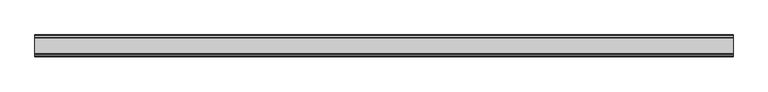
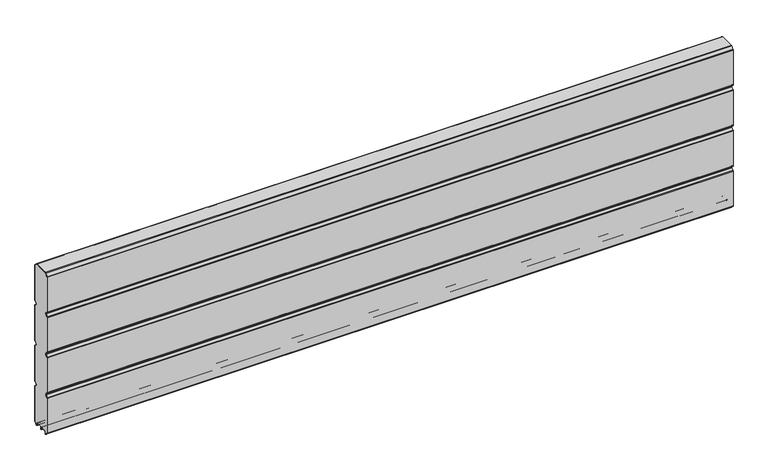
"""IFC4 building model written with IfcOpenShell, lengths in millimetres: plate geometry."""

from ifc_helpers import new_model, si_unit, point, frame, frame_2d, origin, place, context, project, spatial, polyline, circle_curve, trimmed, segment, composite_curve, outline, extrude, source, transform, mapped, element, save


def plate_5abdafe4(model_context):
    return source(origin(), model_context, "Body", "SweptSolid", [
        extrude(outline(composite_curve([segment(polyline([(-29.2650466, 451.7624879), (-35.7138292, 458.2112702)]), True, "CONTINUOUS"), segment(trimmed(circle_curve(frame_2d((-34.2991913, 459.6259081)), 2.0006001), [point((-35.7138292, 458.2112702))], [point((-36.2997914, 459.6259081))], False, "CARTESIAN"), True, "CONTINUOUS"), segment(polyline([(-36.2997914, 459.6259081), (-36.2997914, 588.874925)]), True, "CONTINUOUS"), segment(trimmed(circle_curve(frame_2d((-34.3025404, 588.8763112)), 1.9972515), [point((-36.2997914, 588.874925))], [point((-35.7145328, 590.2888589))], False, "CARTESIAN"), True, "CONTINUOUS"), segment(polyline([(-35.7145328, 590.2888589), (-27.7860861, 598.2141893)]), True, "CONTINUOUS"), segment(trimmed(circle_curve(frame_2d((-26.3717262, 596.7992733)), 2.0006002), [point((-27.7860861, 598.2141893))], [point((-26.3717262, 598.7998734))], False, "CARTESIAN"), True, "CONTINUOUS"), segment(polyline([(-26.3717262, 598.7998734), (26.3717262, 598.7998734)]), True, "CONTINUOUS"), segment(trimmed(circle_curve(frame_2d((26.3717262, 596.7992733)), 2.0006002), [point((26.3717262, 598.7998734))], [point((27.7860861, 598.2141893))], False, "CARTESIAN"), True, "CONTINUOUS"), segment(polyline([(27.7860861, 598.2141893), (35.7145328, 590.2888589)]), True, "CONTINUOUS"), segment(trimmed(circle_curve(frame_2d((34.3025404, 588.8763112)), 1.9972515), [point((35.7145328, 590.2888589))], [point((36.2997914, 588.874925))], False, "CARTESIAN"), True, "CONTINUOUS"), segment(polyline([(36.2997914, 588.874925), (36.2997914, 459.6259081)]), True, "CONTINUOUS"), segment(trimmed(circle_curve(frame_2d((34.2991913, 459.6259081)), 2.0006001), [point((36.2997914, 459.6259081))], [point((35.7138292, 458.2112702))], False, "CARTESIAN"), True, "CONTINUOUS"), segment(polyline([(35.7138292, 458.2112702), (29.2650466, 451.7624879)]), True, "CONTINUOUS"), segment(trimmed(circle_curve(frame_2d((31.5325895, 449.4949449)), 3.20679), [point((29.2650466, 451.7624879))], [point((29.114664, 447.3884934))], True, "CARTESIAN"), True, "CONTINUOUS"), segment(polyline([(29.114664, 447.3884934), (35.7138291, 440.7893285)]), True, "CONTINUOUS"), segment(trimmed(circle_curve(frame_2d((34.2991912, 439.3746906)), 2.0006001), [point((35.7138291, 440.7893285))], [point((36.2997913, 439.3746906))], False, "CARTESIAN"), True, "CONTINUOUS"), segment(polyline([(36.2997913, 439.3746906), (36.2997913, 309.6259081)]), True, "CONTINUOUS"), segment(trimmed(circle_curve(frame_2d((34.2991912, 309.6259081)), 2.0006001), [point((36.2997913, 309.6259081))], [point((35.7138291, 308.2112702))], False, "CARTESIAN"), True, "CONTINUOUS"), segment(polyline([(35.7138291, 308.2112702), (29.2650466, 301.7624879)]), True, "CONTINUOUS"), segment(trimmed(circle_curve(frame_2d((31.5325895, 299.4949449)), 3.20679), [point((29.2650466, 301.7624879))], [point((29.4261379, 297.0770195))], True, "CARTESIAN"), True, "CONTINUOUS"), segment(polyline([(29.4261379, 297.0770195), (35.7138291, 290.7893285)]), True, "CONTINUOUS"), segment(trimmed(circle_curve(frame_2d((34.2991912, 289.3746906)), 2.0006001), [point((35.7138291, 290.7893285))], [point((36.2997913, 289.3746906))], False, "CARTESIAN"), True, "CONTINUOUS"), segment(polyline([(36.2997913, 289.3746906), (36.2997913, 159.6246474)]), True, "CONTINUOUS"), segment(trimmed(circle_curve(frame_2d((34.2991912, 159.6246474)), 2.0006001), [point((36.2997913, 159.6246474))], [point((35.7138291, 158.2100095))], False, "CARTESIAN"), True, "CONTINUOUS"), segment(polyline([(35.7138291, 158.2100095), (29.2650466, 151.7612271)]), True, "CONTINUOUS"), segment(trimmed(circle_curve(frame_2d((31.5325895, 149.4936842)), 3.20679), [point((29.2650466, 151.7612271))], [point((29.114664, 147.3872326))], True, "CARTESIAN"), True, "CONTINUOUS"), segment(polyline([(29.114664, 147.3872326), (35.7138292, 140.7880678)]), True, "CONTINUOUS"), segment(trimmed(circle_curve(frame_2d((34.2991912, 139.3734299)), 2.0006001), [point((35.7138292, 140.7880678))], [point((36.2997914, 139.3734299))], False, "CARTESIAN"), True, "CONTINUOUS"), segment(polyline([(36.2997914, 139.3734299), (36.2997914, 10.1250796)]), True, "CONTINUOUS"), segment(trimmed(circle_curve(frame_2d((34.299192, 10.1250796)), 2.0005994), [point((36.2997914, 10.1250796))], [point((35.7138294, 8.7104422))], False, "CARTESIAN"), True, "CONTINUOUS"), segment(polyline([(35.7138294, 8.7104422), (28.7893255, 1.7859383)]), True, "CONTINUOUS"), segment(trimmed(circle_curve(frame_2d((27.3158157, 3.2594482)), 2.0838576), [point((28.7893255, 1.7859383))], [point((25.2327947, 3.2004014))], False, "CARTESIAN"), True, "CONTINUOUS"), segment(polyline([(25.2327947, 3.2004014), (25.2327947, 7.9999453)]), True, "CONTINUOUS"), segment(trimmed(circle_curve(frame_2d((22.0323933, 7.9999453)), 3.2004014), [point((25.2327947, 7.9999453))], [point((22.0323933, 11.2003467))], True, "CARTESIAN"), True, "CONTINUOUS"), segment(polyline([(22.0323933, 11.2003467), (3.1993432, 11.2003467)]), True, "CONTINUOUS"), segment(trimmed(circle_curve(frame_2d((3.1993432, 8.0010035)), 3.1993432), [point((3.1993432, 11.2003467))], [point((0.0, 8.0010035))], True, "CARTESIAN"), True, "CONTINUOUS"), segment(trimmed(circle_curve(frame_2d((-3.1993432, 8.0010035)), 3.1993432), [point((0.0, 8.0010035))], [point((-3.1993432, 11.2003467))], True, "CARTESIAN"), True, "CONTINUOUS"), segment(polyline([(-3.1993432, 11.2003467), (-22.0323933, 11.2003467)]), True, "CONTINUOUS"), segment(trimmed(circle_curve(frame_2d((-22.0323933, 7.9999453)), 3.2004014), [point((-22.0323933, 11.2003467))], [point((-25.2327947, 7.9999453))], True, "CARTESIAN"), True, "CONTINUOUS"), segment(polyline([(-25.2327947, 7.9999453), (-25.2327947, 3.2004014)]), True, "CONTINUOUS"), segment(trimmed(circle_curve(frame_2d((-27.3158157, 3.2594482)), 2.0838576), [point((-25.2327947, 3.2004014))], [point((-28.7893255, 1.7859383))], False, "CARTESIAN"), True, "CONTINUOUS"), segment(polyline([(-28.7893255, 1.7859383), (-35.7138294, 8.7104422)]), True, "CONTINUOUS"), segment(trimmed(circle_curve(frame_2d((-34.299192, 10.1250796)), 2.0005994), [point((-35.7138294, 8.7104422))], [point((-36.2997914, 10.1250796))], False, "CARTESIAN"), True, "CONTINUOUS"), segment(polyline([(-36.2997914, 10.1250796), (-36.2997914, 139.3734299)]), True, "CONTINUOUS"), segment(trimmed(circle_curve(frame_2d((-34.2991912, 139.3734299)), 2.0006001), [point((-36.2997914, 139.3734299))], [point((-35.7138292, 140.7880678))], False, "CARTESIAN"), True, "CONTINUOUS"), segment(polyline([(-35.7138292, 140.7880678), (-29.114664, 147.3872326)]), True, "CONTINUOUS"), segment(trimmed(circle_curve(frame_2d((-31.5325895, 149.4936842)), 3.20679), [point((-29.114664, 147.3872326))], [point((-29.2650466, 151.7612271))], True, "CARTESIAN"), True, "CONTINUOUS"), segment(polyline([(-29.2650466, 151.7612271), (-35.7138291, 158.2100095)]), True, "CONTINUOUS"), segment(trimmed(circle_curve(frame_2d((-34.2991912, 159.6246474)), 2.0006001), [point((-35.7138291, 158.2100095))], [point((-36.2997913, 159.6246474))], False, "CARTESIAN"), True, "CONTINUOUS"), segment(polyline([(-36.2997913, 159.6246474), (-36.2997913, 289.3746906)]), True, "CONTINUOUS"), segment(trimmed(circle_curve(frame_2d((-34.2991912, 289.3746906)), 2.0006001), [point((-36.2997913, 289.3746906))], [point((-35.7138291, 290.7893285))], False, "CARTESIAN"), True, "CONTINUOUS"), segment(polyline([(-35.7138291, 290.7893285), (-29.4261379, 297.0770195)]), True, "CONTINUOUS"), segment(trimmed(circle_curve(frame_2d((-31.5325895, 299.4949449)), 3.20679), [point((-29.4261379, 297.0770195))], [point((-29.2650466, 301.7624879))], True, "CARTESIAN"), True, "CONTINUOUS"), segment(polyline([(-29.2650466, 301.7624879), (-35.7138291, 308.2112702)]), True, "CONTINUOUS"), segment(trimmed(circle_curve(frame_2d((-34.2991912, 309.6259081)), 2.0006001), [point((-35.7138291, 308.2112702))], [point((-36.2997913, 309.6259081))], False, "CARTESIAN"), True, "CONTINUOUS"), segment(polyline([(-36.2997913, 309.6259081), (-36.2997913, 439.3746906)]), True, "CONTINUOUS"), segment(trimmed(circle_curve(frame_2d((-34.2991912, 439.3746906)), 2.0006001), [point((-36.2997913, 439.3746906))], [point((-35.7138291, 440.7893285))], False, "CARTESIAN"), True, "CONTINUOUS"), segment(polyline([(-35.7138291, 440.7893285), (-29.114664, 447.3884934)]), True, "CONTINUOUS"), segment(trimmed(circle_curve(frame_2d((-31.5325895, 449.4949449)), 3.20679), [point((-29.114664, 447.3884934))], [point((-29.2650466, 451.7624879))], True, "CARTESIAN"), True, "CONTINUOUS")], self_intersect=False)), frame((-1204.8858409, 0.0, 0.0), z_axis=(1.0, 0.0, 0.0), x_axis=(0.0, 1.0, 0.0)), (0.0, 0.0, 1.0), 2409.7716819),
        extrude(outline(composite_curve([segment(trimmed(circle_curve(frame_2d((-34.299418, 588.8742584)), 3.200524), [point((-37.499942, 588.8742584))], [point((-36.5622582, 591.1376426))], False, "CARTESIAN"), True, "CONTINUOUS"), segment(polyline([(-36.5622582, 591.1376426), (-28.6355395, 599.0624563)]), True, "CONTINUOUS"), segment(trimmed(circle_curve(frame_2d((-26.3720296, 596.7984023)), 3.2014711), [point((-28.6355395, 599.0624563))], [point((-26.3720296, 599.9998734))], False, "CARTESIAN"), True, "CONTINUOUS"), segment(polyline([(-26.3720296, 599.9998734), (26.3720296, 599.9998734)]), True, "CONTINUOUS"), segment(trimmed(circle_curve(frame_2d((26.3720296, 596.7984023)), 3.2014711), [point((26.3720296, 599.9998734))], [point((28.6355395, 599.0624563))], False, "CARTESIAN"), True, "CONTINUOUS"), segment(polyline([(28.6355395, 599.0624563), (36.5622582, 591.1376426)]), True, "CONTINUOUS"), segment(trimmed(circle_curve(frame_2d((34.299418, 588.8742584)), 3.200524), [point((36.5622582, 591.1376426))], [point((37.499942, 588.8742584))], False, "CARTESIAN"), True, "CONTINUOUS"), segment(polyline([(37.499942, 588.8742584), (37.499942, 459.6259081)]), True, "CONTINUOUS"), segment(trimmed(circle_curve(frame_2d((34.3010265, 459.6259081)), 3.1989155), [point((37.499942, 459.6259081))], [point((36.5630013, 457.3639333))], False, "CARTESIAN"), True, "CONTINUOUS"), segment(polyline([(36.5630013, 457.3639333), (30.1138303, 450.9147625)]), True, "CONTINUOUS"), segment(trimmed(circle_curve(frame_2d((31.5282934, 449.5002993)), 2.000353), [point((30.1138303, 450.9147625))], [point((30.1138303, 448.0858362))], True, "CARTESIAN"), True, "CONTINUOUS"), segment(polyline([(30.1138303, 448.0858362), (36.5630013, 441.6366654)]), True, "CONTINUOUS"), segment(trimmed(circle_curve(frame_2d((34.3010265, 439.3746906)), 3.1989154), [point((36.5630013, 441.6366654))], [point((37.4999419, 439.3746906))], False, "CARTESIAN"), True, "CONTINUOUS"), segment(polyline([(37.4999419, 439.3746906), (37.4999419, 309.6259081)]), True, "CONTINUOUS"), segment(trimmed(circle_curve(frame_2d((34.3010265, 309.6259081)), 3.1989154), [point((37.4999419, 309.6259081))], [point((36.5630013, 307.3639333))], False, "CARTESIAN"), True, "CONTINUOUS"), segment(polyline([(36.5630013, 307.3639333), (30.1138303, 300.9147625)]), True, "CONTINUOUS"), segment(trimmed(circle_curve(frame_2d((31.5282934, 299.5002993)), 2.000353), [point((30.1138303, 300.9147625))], [point((30.1138303, 298.0858362))], True, "CARTESIAN"), True, "CONTINUOUS"), segment(polyline([(30.1138303, 298.0858362), (36.5630013, 291.6366654)]), True, "CONTINUOUS"), segment(trimmed(circle_curve(frame_2d((34.3010265, 289.3746906)), 3.1989154), [point((36.5630013, 291.6366654))], [point((37.4999419, 289.3746906))], False, "CARTESIAN"), True, "CONTINUOUS"), segment(polyline([(37.4999419, 289.3746906), (37.4999419, 159.6246474)]), True, "CONTINUOUS"), segment(trimmed(circle_curve(frame_2d((34.3010265, 159.6246474)), 3.1989154), [point((37.4999419, 159.6246474))], [point((36.5630013, 157.3626726))], False, "CARTESIAN"), True, "CONTINUOUS"), segment(polyline([(36.5630013, 157.3626726), (30.1138303, 150.9135018)]), True, "CONTINUOUS"), segment(trimmed(circle_curve(frame_2d((31.5282934, 149.4990386)), 2.000353), [point((30.1138303, 150.9135018))], [point((30.1138303, 148.0845755))], True, "CARTESIAN"), True, "CONTINUOUS"), segment(polyline([(30.1138303, 148.0845755), (36.5630013, 141.6354046)]), True, "CONTINUOUS"), segment(trimmed(circle_curve(frame_2d((34.3010265, 139.3734298)), 3.1989154), [point((36.5630013, 141.6354046))], [point((37.4999419, 139.3734298))], False, "CARTESIAN"), True, "CONTINUOUS"), segment(polyline([(37.4999419, 139.3734298), (37.4999419, 10.1250796)]), True, "CONTINUOUS"), segment(trimmed(circle_curve(frame_2d((34.3010265, 10.1250796)), 3.1989154), [point((37.4999419, 10.1250796))], [point((36.5630004, 7.8631039))], False, "CARTESIAN"), True, "CONTINUOUS"), segment(polyline([(36.5630004, 7.8631039), (29.6332576, 0.9333666)]), True, "CONTINUOUS"), segment(trimmed(circle_curve(frame_2d((27.311397, 3.255229)), 3.283608), [point((29.6332576, 0.9333666))], [point((24.0283217, 3.1960843))], False, "CARTESIAN"), True, "CONTINUOUS"), segment(polyline([(24.0283217, 3.1960843), (24.0326442, 7.9999453)]), True, "CONTINUOUS"), segment(trimmed(circle_curve(frame_2d((22.0341915, 8.0017435)), 1.9984535), [point((24.0326442, 7.9999453))], [point((22.0323933, 10.0001962))], True, "CARTESIAN"), True, "CONTINUOUS"), segment(polyline([(22.0323933, 10.0001962), (3.1993432, 10.0001962)]), True, "CONTINUOUS"), segment(trimmed(circle_curve(frame_2d((3.1993432, 8.0010035)), 1.9991927), [point((3.1993432, 10.0001962))], [point((1.2001505, 8.0010035))], True, "CARTESIAN"), True, "CONTINUOUS"), segment(polyline([(1.2001505, 8.0010035), (1.2001504, 0.0), (0.0, 0.0), (-1.2001504, 0.0), (-1.2001504, 8.0010034)]), True, "CONTINUOUS"), segment(trimmed(circle_curve(frame_2d((-3.1993432, 8.0010035)), 1.9991928), [point((-1.2001504, 8.0010034))], [point((-3.1993432, 10.0001963))], True, "CARTESIAN"), True, "CONTINUOUS"), segment(polyline([(-3.1993432, 10.0001963), (-22.0323933, 10.0001962)]), True, "CONTINUOUS"), segment(trimmed(circle_curve(frame_2d((-22.0341915, 8.0017435)), 1.9984535), [point((-22.0323933, 10.0001962))], [point((-24.0326442, 7.9999453))], True, "CARTESIAN"), True, "CONTINUOUS"), segment(polyline([(-24.0326442, 7.9999453), (-24.0283217, 3.1960843)]), True, "CONTINUOUS"), segment(trimmed(circle_curve(frame_2d((-27.311397, 3.255229)), 3.283608), [point((-24.0283217, 3.1960843))], [point((-29.6332576, 0.9333666))], False, "CARTESIAN"), True, "CONTINUOUS"), segment(polyline([(-29.6332576, 0.9333666), (-36.5630004, 7.8631039)]), True, "CONTINUOUS"), segment(trimmed(circle_curve(frame_2d((-34.3010265, 10.1250796)), 3.1989154), [point((-36.5630004, 7.8631039))], [point((-37.4999419, 10.1250796))], False, "CARTESIAN"), True, "CONTINUOUS"), segment(polyline([(-37.4999419, 10.1250796), (-37.4999419, 139.3734298)]), True, "CONTINUOUS"), segment(trimmed(circle_curve(frame_2d((-34.3010265, 139.3734298)), 3.1989154), [point((-37.4999419, 139.3734298))], [point((-36.5630013, 141.6354046))], False, "CARTESIAN"), True, "CONTINUOUS"), segment(polyline([(-36.5630013, 141.6354046), (-30.1138303, 148.0845755)]), True, "CONTINUOUS"), segment(trimmed(circle_curve(frame_2d((-31.5282934, 149.4990386)), 2.000353), [point((-30.1138303, 148.0845755))], [point((-30.1138303, 150.9135018))], True, "CARTESIAN"), True, "CONTINUOUS"), segment(polyline([(-30.1138303, 150.9135018), (-36.5630013, 157.3626726)]), True, "CONTINUOUS"), segment(trimmed(circle_curve(frame_2d((-34.3010265, 159.6246474)), 3.1989154), [point((-36.5630013, 157.3626726))], [point((-37.4999419, 159.6246474))], False, "CARTESIAN"), True, "CONTINUOUS"), segment(polyline([(-37.4999419, 159.6246474), (-37.4999419, 289.3746906)]), True, "CONTINUOUS"), segment(trimmed(circle_curve(frame_2d((-34.3010265, 289.3746906)), 3.1989154), [point((-37.4999419, 289.3746906))], [point((-36.5630013, 291.6366653))], False, "CARTESIAN"), True, "CONTINUOUS"), segment(polyline([(-36.5630013, 291.6366653), (-30.1138303, 298.0858362)]), True, "CONTINUOUS"), segment(trimmed(circle_curve(frame_2d((-31.5282934, 299.5002993)), 2.000353), [point((-30.1138303, 298.0858362))], [point((-30.1138303, 300.9147625))], True, "CARTESIAN"), True, "CONTINUOUS"), segment(polyline([(-30.1138303, 300.9147625), (-36.5630013, 307.3639333)]), True, "CONTINUOUS"), segment(trimmed(circle_curve(frame_2d((-34.3010265, 309.6259081)), 3.1989154), [point((-36.5630013, 307.3639333))], [point((-37.4999419, 309.6259081))], False, "CARTESIAN"), True, "CONTINUOUS"), segment(polyline([(-37.4999419, 309.6259081), (-37.4999419, 439.3746906)]), True, "CONTINUOUS"), segment(trimmed(circle_curve(frame_2d((-34.3010265, 439.3746906)), 3.1989154), [point((-37.4999419, 439.3746906))], [point((-36.5630013, 441.6366653))], False, "CARTESIAN"), True, "CONTINUOUS"), segment(polyline([(-36.5630013, 441.6366653), (-30.1138303, 448.0858362)]), True, "CONTINUOUS"), segment(trimmed(circle_curve(frame_2d((-31.5282934, 449.5002993)), 2.000353), [point((-30.1138303, 448.0858362))], [point((-30.1138303, 450.9147625))], True, "CARTESIAN"), True, "CONTINUOUS"), segment(polyline([(-30.1138303, 450.9147625), (-36.5630013, 457.3639333)]), True, "CONTINUOUS"), segment(trimmed(circle_curve(frame_2d((-34.3010265, 459.6259081)), 3.1989155), [point((-36.5630013, 457.3639333))], [point((-37.499942, 459.6259081))], False, "CARTESIAN"), True, "CONTINUOUS"), segment(polyline([(-37.499942, 459.6259081), (-37.499942, 588.8742584)]), True, "CONTINUOUS")], self_intersect=False), holes=[composite_curve([segment(trimmed(circle_curve(frame_2d((-31.5325895, 449.4949449)), 3.20679), [point((-29.2650466, 451.7624879))], [point((-29.114664, 447.3884934))], False, "CARTESIAN"), True, "CONTINUOUS"), segment(polyline([(-29.114664, 447.3884934), (-35.7138291, 440.7893285)]), True, "CONTINUOUS"), segment(trimmed(circle_curve(frame_2d((-34.2991912, 439.3746906)), 2.0006001), [point((-35.7138291, 440.7893285))], [point((-36.2997913, 439.3746906))], True, "CARTESIAN"), True, "CONTINUOUS"), segment(polyline([(-36.2997913, 439.3746906), (-36.2997913, 309.6259081)]), True, "CONTINUOUS"), segment(trimmed(circle_curve(frame_2d((-34.2991912, 309.6259081)), 2.0006001), [point((-36.2997913, 309.6259081))], [point((-35.7138291, 308.2112702))], True, "CARTESIAN"), True, "CONTINUOUS"), segment(polyline([(-35.7138291, 308.2112702), (-29.2650466, 301.7624879)]), True, "CONTINUOUS"), segment(trimmed(circle_curve(frame_2d((-31.5325895, 299.4949449)), 3.20679), [point((-29.2650466, 301.7624879))], [point((-29.4261379, 297.0770195))], False, "CARTESIAN"), True, "CONTINUOUS"), segment(polyline([(-29.4261379, 297.0770195), (-35.7138291, 290.7893285)]), True, "CONTINUOUS"), segment(trimmed(circle_curve(frame_2d((-34.2991912, 289.3746906)), 2.0006001), [point((-35.7138291, 290.7893285))], [point((-36.2997913, 289.3746906))], True, "CARTESIAN"), True, "CONTINUOUS"), segment(polyline([(-36.2997913, 289.3746906), (-36.2997913, 159.6246474)]), True, "CONTINUOUS"), segment(trimmed(circle_curve(frame_2d((-34.2991912, 159.6246474)), 2.0006001), [point((-36.2997913, 159.6246474))], [point((-35.7138291, 158.2100095))], True, "CARTESIAN"), True, "CONTINUOUS"), segment(polyline([(-35.7138291, 158.2100095), (-29.2650466, 151.7612271)]), True, "CONTINUOUS"), segment(trimmed(circle_curve(frame_2d((-31.5325895, 149.4936842)), 3.20679), [point((-29.2650466, 151.7612271))], [point((-29.114664, 147.3872326))], False, "CARTESIAN"), True, "CONTINUOUS"), segment(polyline([(-29.114664, 147.3872326), (-35.7138292, 140.7880677)]), True, "CONTINUOUS"), segment(trimmed(circle_curve(frame_2d((-34.2991912, 139.3734298)), 2.0006001), [point((-35.7138292, 140.7880677))], [point((-36.2997914, 139.3734298))], True, "CARTESIAN"), True, "CONTINUOUS"), segment(polyline([(-36.2997914, 139.3734298), (-36.2997914, 10.1250796)]), True, "CONTINUOUS"), segment(trimmed(circle_curve(frame_2d((-34.299192, 10.1250796)), 2.0005994), [point((-36.2997914, 10.1250796))], [point((-35.7138294, 8.7104422))], True, "CARTESIAN"), True, "CONTINUOUS"), segment(polyline([(-35.7138294, 8.7104422), (-28.7893255, 1.7859383)]), True, "CONTINUOUS"), segment(trimmed(circle_curve(frame_2d((-27.3158157, 3.2594482)), 2.0838576), [point((-28.7893255, 1.7859383))], [point((-25.2327947, 3.2004014))], True, "CARTESIAN"), True, "CONTINUOUS"), segment(polyline([(-25.2327947, 3.2004014), (-25.2327947, 7.9999453)]), True, "CONTINUOUS"), segment(trimmed(circle_curve(frame_2d((-22.0323933, 7.9999453)), 3.2004014), [point((-25.2327947, 7.9999453))], [point((-22.0323933, 11.2003467))], False, "CARTESIAN"), True, "CONTINUOUS"), segment(polyline([(-22.0323933, 11.2003467), (-3.1993432, 11.2003467)]), True, "CONTINUOUS"), segment(trimmed(circle_curve(frame_2d((-3.1993432, 8.0010035)), 3.1993432), [point((-3.1993432, 11.2003467))], [point((0.0, 8.0010035))], False, "CARTESIAN"), True, "CONTINUOUS"), segment(trimmed(circle_curve(frame_2d((3.1993432, 8.0010035)), 3.1993432), [point((0.0, 8.0010035))], [point((3.1993432, 11.2003467))], False, "CARTESIAN"), True, "CONTINUOUS"), segment(polyline([(3.1993432, 11.2003467), (22.0323933, 11.2003467)]), True, "CONTINUOUS"), segment(trimmed(circle_curve(frame_2d((22.0323933, 7.9999453)), 3.2004014), [point((22.0323933, 11.2003467))], [point((25.2327947, 7.9999453))], False, "CARTESIAN"), True, "CONTINUOUS"), segment(polyline([(25.2327947, 7.9999453), (25.2327947, 3.2004014)]), True, "CONTINUOUS"), segment(trimmed(circle_curve(frame_2d((27.3158157, 3.2594482)), 2.0838576), [point((25.2327947, 3.2004014))], [point((28.7893255, 1.7859383))], True, "CARTESIAN"), True, "CONTINUOUS"), segment(polyline([(28.7893255, 1.7859383), (35.7138294, 8.7104422)]), True, "CONTINUOUS"), segment(trimmed(circle_curve(frame_2d((34.299192, 10.1250796)), 2.0005994), [point((35.7138294, 8.7104422))], [point((36.2997914, 10.1250796))], True, "CARTESIAN"), True, "CONTINUOUS"), segment(polyline([(36.2997914, 10.1250796), (36.2997914, 139.3734298)]), True, "CONTINUOUS"), segment(trimmed(circle_curve(frame_2d((34.2991912, 139.3734298)), 2.0006001), [point((36.2997914, 139.3734298))], [point((35.7138292, 140.7880678))], True, "CARTESIAN"), True, "CONTINUOUS"), segment(polyline([(35.7138292, 140.7880678), (29.114664, 147.3872326)]), True, "CONTINUOUS"), segment(trimmed(circle_curve(frame_2d((31.5325895, 149.4936842)), 3.20679), [point((29.114664, 147.3872326))], [point((29.2650466, 151.7612271))], False, "CARTESIAN"), True, "CONTINUOUS"), segment(polyline([(29.2650466, 151.7612271), (35.7138291, 158.2100095)]), True, "CONTINUOUS"), segment(trimmed(circle_curve(frame_2d((34.2991912, 159.6246474)), 2.0006001), [point((35.7138291, 158.2100095))], [point((36.2997913, 159.6246474))], True, "CARTESIAN"), True, "CONTINUOUS"), segment(polyline([(36.2997913, 159.6246474), (36.2997913, 289.3746906)]), True, "CONTINUOUS"), segment(trimmed(circle_curve(frame_2d((34.2991912, 289.3746906)), 2.0006001), [point((36.2997913, 289.3746906))], [point((35.7138291, 290.7893285))], True, "CARTESIAN"), True, "CONTINUOUS"), segment(polyline([(35.7138291, 290.7893285), (29.4261379, 297.0770195)]), True, "CONTINUOUS"), segment(trimmed(circle_curve(frame_2d((31.5325895, 299.4949449)), 3.20679), [point((29.4261379, 297.0770195))], [point((29.2650466, 301.7624879))], False, "CARTESIAN"), True, "CONTINUOUS"), segment(polyline([(29.2650466, 301.7624879), (35.7138291, 308.2112702)]), True, "CONTINUOUS"), segment(trimmed(circle_curve(frame_2d((34.2991912, 309.6259081)), 2.0006001), [point((35.7138291, 308.2112702))], [point((36.2997913, 309.6259081))], True, "CARTESIAN"), True, "CONTINUOUS"), segment(polyline([(36.2997913, 309.6259081), (36.2997913, 439.3746906)]), True, "CONTINUOUS"), segment(trimmed(circle_curve(frame_2d((34.2991912, 439.3746906)), 2.0006001), [point((36.2997913, 439.3746906))], [point((35.7138291, 440.7893285))], True, "CARTESIAN"), True, "CONTINUOUS"), segment(polyline([(35.7138291, 440.7893285), (29.114664, 447.3884934)]), True, "CONTINUOUS"), segment(trimmed(circle_curve(frame_2d((31.5325895, 449.4949449)), 3.20679), [point((29.114664, 447.3884934))], [point((29.2650466, 451.7624879))], False, "CARTESIAN"), True, "CONTINUOUS"), segment(polyline([(29.2650466, 451.7624879), (35.7138292, 458.2112702)]), True, "CONTINUOUS"), segment(trimmed(circle_curve(frame_2d((34.2991913, 459.6259081)), 2.0006001), [point((35.7138292, 458.2112702))], [point((36.2997914, 459.6259081))], True, "CARTESIAN"), True, "CONTINUOUS"), segment(polyline([(36.2997914, 459.6259081), (36.2997914, 588.874925)]), True, "CONTINUOUS"), segment(trimmed(circle_curve(frame_2d((34.3025404, 588.8763112)), 1.9972515), [point((36.2997914, 588.874925))], [point((35.7145328, 590.2888589))], True, "CARTESIAN"), True, "CONTINUOUS"), segment(polyline([(35.7145328, 590.2888589), (27.7860861, 598.2141893)]), True, "CONTINUOUS"), segment(trimmed(circle_curve(frame_2d((26.3717262, 596.7992733)), 2.0006002), [point((27.7860861, 598.2141893))], [point((26.3717262, 598.7998734))], True, "CARTESIAN"), True, "CONTINUOUS"), segment(polyline([(26.3717262, 598.7998734), (-26.3717262, 598.7998734)]), True, "CONTINUOUS"), segment(trimmed(circle_curve(frame_2d((-26.3717262, 596.7992733)), 2.0006002), [point((-26.3717262, 598.7998734))], [point((-27.7860861, 598.2141893))], True, "CARTESIAN"), True, "CONTINUOUS"), segment(polyline([(-27.7860861, 598.2141893), (-35.7145328, 590.2888589)]), True, "CONTINUOUS"), segment(trimmed(circle_curve(frame_2d((-34.3025404, 588.8763112)), 1.9972515), [point((-35.7145328, 590.2888589))], [point((-36.2997914, 588.874925))], True, "CARTESIAN"), True, "CONTINUOUS"), segment(polyline([(-36.2997914, 588.874925), (-36.2997914, 459.6259081)]), True, "CONTINUOUS"), segment(trimmed(circle_curve(frame_2d((-34.2991913, 459.6259081)), 2.0006001), [point((-36.2997914, 459.6259081))], [point((-35.7138292, 458.2112702))], True, "CARTESIAN"), True, "CONTINUOUS"), segment(polyline([(-35.7138292, 458.2112702), (-29.2650466, 451.7624879)]), True, "CONTINUOUS")], self_intersect=False)]), frame((-1204.8858409, 0.0, 0.0), z_axis=(1.0, 0.0, 0.0), x_axis=(0.0, 1.0, 0.0)), (0.0, 0.0, 1.0), 2409.7716819),
    ])


if __name__ == "__main__":
    model = new_model("IFC4")
    model_context = context("Model", 3, world=origin())
    ifc_project = project(units=[si_unit("LENGTHUNIT", "METRE", prefix="MILLI")], contexts=[model_context])
    site = spatial("IfcSite", under=ifc_project)
    building = spatial("IfcBuilding", under=site)
    placement = place(None, origin())
    plate_shape = plate_5abdafe4(model_context)
    element("IfcPlate", 1, at=placement, inside=building, context=model_context, shape_type="MappedRepresentation", body=[
        mapped(plate_shape, transform((0.0, 0.0, 0.0), x_axis=(1.0, 0.0, 0.0), y_axis=(0.0, 1.0, 0.0), z_axis=(0.0, 0.0, 1.0))),
    ])
    save(model, "model.ifc")
